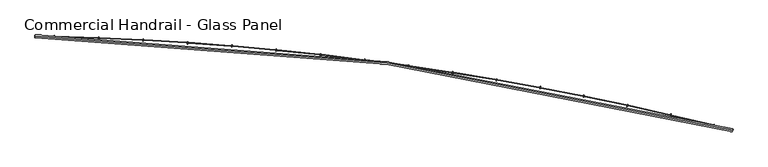
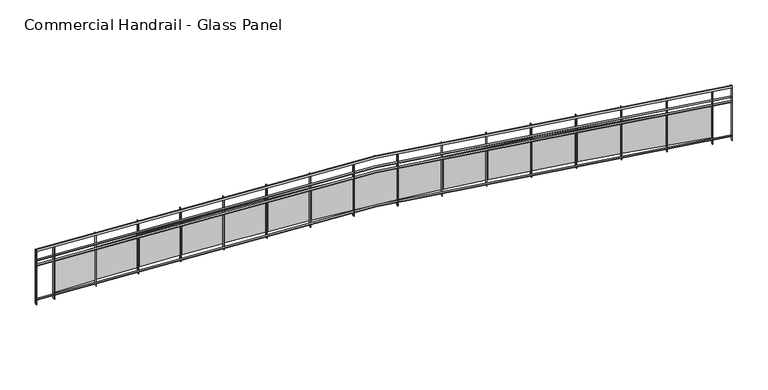
"""IFC4 building model written with IfcOpenShell, lengths in millimetres: railing geometry, Commercial Handrail - Glass Panel."""

from ifc_helpers import new_model, si_unit, point, frame, origin, place, context, project, spatial, polyline, circle_curve, ellipse_curve, trimmed, outline, extrude, source, transform, mapped, element, save
from ifc_brep_helpers import plane_surface, cylinder_surface, revolved_surface, advanced_brep


def commercial_handrail_glass_panel_7a15490f(model_context):
    return source(origin(), model_context, "Body", "SolidModel", [
        advanced_brep(
        [(127651.4463587, -32615.5815285, 16282.5), (140199.431702, -34306.4790783, 16282.5), (140199.431702, -34306.4790783, 16317.5), (127651.4463587, -32615.5815285, 16317.5)],
        [
            (0, 1, circle_curve(frame((126699.3049554, -87085.4645407, 16282.5), z_axis=(0.0, 0.0, -1.0), x_axis=(0.24780785186476648, 0.9688092013158061, 0.0)), 54478.2041611)),
            (1, 2, ellipse_curve(frame((140199.431702, -34306.4790783, 16300.0), z_axis=(-0.9688092013158076, 0.2478078518647603, 0.0), x_axis=(0.2478078518647603, 0.9688092013158076, 0.0)), 25.0, 17.5)),
            (2, 3, circle_curve(frame((126699.3049554, -87085.4645407, 16317.5), z_axis=(0.0, 0.0, 1.0), x_axis=(0.24780785186476648, 0.9688092013158061, 0.0)), 54478.2041611)),
            (3, 0, ellipse_curve(frame((127651.4463587, -32615.5815285, 16300.0), z_axis=(0.9998472572840302, -0.01747747411963002, 0.0), x_axis=(0.01747747411963002, 0.9998472572840302, 0.0)), 25.0, 17.5)),
            (2, 1, ellipse_curve(frame((140199.431702, -34306.4790783, 16300.0), z_axis=(-0.9688092013158076, 0.2478078518647603, 0.0), x_axis=(0.2478078518647603, 0.9688092013158076, 0.0)), 25.0, 17.5)),
            (0, 3, ellipse_curve(frame((127651.4463587, -32615.5815285, 16300.0), z_axis=(0.9998472572840302, -0.01747747411963002, 0.0), x_axis=(0.01747747411963002, 0.9998472572840302, 0.0)), 25.0, 17.5)),
        ],
        [
            revolved_surface(trimmed(ellipse_curve(frame((140199.431702, -34306.4790783, 16300.0), z_axis=(0.9688092013158061, -0.24780785186476648, 0.0), x_axis=(0.0, 0.0, -1.0)), 17.5, 25.0), [point((140199.431702, -34306.4790783, 16317.5))], [point((140199.431702, -34306.4790783, 16282.5))], True, "CARTESIAN"), (126699.3049554, -87085.4645407, 16300.0), (0.0, 0.0, 1.0)),
            revolved_surface(trimmed(ellipse_curve(frame((140199.431702, -34306.4790783, 16300.0), z_axis=(0.9688092013158061, -0.24780785186476648, 0.0), x_axis=(0.0, 0.0, -1.0)), 17.5, 25.0), [point((140199.431702, -34306.4790783, 16282.5))], [point((140199.431702, -34306.4790783, 16317.5))], True, "CARTESIAN"), (126699.3049554, -87085.4645407, 16300.0), (0.0, 0.0, 1.0)),
            plane_surface(frame((140199.431702, -34306.4790783, 16300.0), z_axis=(0.9688092013158061, -0.24780785186476648, 0.0), x_axis=(0.24780785186476648, 0.9688092013158061, 0.0))),
            plane_surface(frame((127651.4463587, -32615.5815285, 16300.0), z_axis=(-0.9998472572840302, 0.01747747411963012, 0.0), x_axis=(0.01747747411963012, 0.9998472572840302, 0.0))),
        ],
        [
            (0, [[1, 2, 3, 4]]),
            (1, [[-3, 5, -1, 6]]),
            (2, [[-2, -5]]),
            (3, [[-6, -4]]),
        ],
    ),
        advanced_brep(
        [(127651.0531155, -32638.0780917, 16100.0), (140193.8560253, -34328.2772853, 16100.0), (140205.0073787, -34284.6808712, 16100.0), (127651.8396019, -32593.0849652, 16100.0), (127651.0531155, -32638.0780917, 16094.0), (140193.8560253, -34328.2772853, 16094.0), (127651.8396019, -32593.0849652, 16094.0), (140205.0073787, -34284.6808712, 16094.0)],
        [
            (0, 1, circle_curve(frame((126699.3049554, -87085.4645407, 16100.0), z_axis=(0.0, 0.0, -1.0), x_axis=(0.24780785186476648, 0.9688092013158061, 0.0)), 54455.7041611)),
            (1, 2),
            (2, 3, circle_curve(frame((126699.3049554, -87085.4645407, 16100.0), z_axis=(0.0, 0.0, 1.0), x_axis=(0.24780785186476648, 0.9688092013158061, 0.0)), 54500.7041611)),
            (3, 0),
            (4, 5, circle_curve(frame((126699.3049554, -87085.4645407, 16094.0), z_axis=(0.0, 0.0, -1.0), x_axis=(0.24780785186476648, 0.9688092013158061, 0.0)), 54455.7041611)),
            (5, 1),
            (0, 4),
            (6, 7, circle_curve(frame((126699.3049554, -87085.4645407, 16094.0), z_axis=(0.0, 0.0, -1.0), x_axis=(0.24780785186476648, 0.9688092013158061, 0.0)), 54500.7041611)),
            (7, 5),
            (4, 6),
            (2, 7),
            (6, 3),
        ],
        [
            plane_surface(frame((126699.3049554, -87085.4645407, 16100.0), z_axis=(0.0, 0.0, 1.0000000000000002), x_axis=(0.24780785186476648, 0.9688092013158061, 0.0))),
            revolved_surface(polyline([(140193.85602534542, -34328.2772852949, 16100.0), (140193.85602534542, -34328.2772852949, 16094.0)]), (126699.3049554, -87085.4645407, 16100.0), (0.0, 0.0, 1.0)),
            plane_surface(frame((126699.3049554, -87085.4645407, 16094.0), z_axis=(0.0, 0.0, -1.0000000000000002), x_axis=(0.24780785186476648, 0.9688092013158061, 0.0))),
            cylinder_surface(frame((126699.3049554, -87085.4645407, 16100.0), z_axis=(0.0, 0.0, 1.0), x_axis=(0.24780785186476648, 0.9688092013158061, 0.0)), 54500.7041611),
            plane_surface(frame((140199.431702, -34306.4790783, 16100.0), z_axis=(0.9688092013158061, -0.24780785186476648, 0.0), x_axis=(0.24780785186476648, 0.9688092013158061, 0.0))),
            plane_surface(frame((127651.4463587, -32615.5815285, 16100.0), z_axis=(-0.9998472572840302, 0.01747747411963012, 0.0), x_axis=(0.01747747411963012, 0.9998472572840302, 0.0))),
        ],
        [
            (0, [[1, 2, 3, 4]]),
            (1, [[5, 6, -1, 7]]),
            (2, [[8, 9, -5, 10]]),
            (3, [[-3, 11, -8, 12]]),
            (4, [[-2, -6, -9, -11]]),
            (5, [[-12, -10, -7, -4]]),
        ],
    ),
        advanced_brep(
        [(127651.0531155, -32638.0780917, 16000.0), (140193.8560253, -34328.2772853, 16000.0), (140205.0073787, -34284.6808712, 16000.0), (127651.8396019, -32593.0849652, 16000.0), (127651.0531155, -32638.0780917, 15994.0), (140193.8560253, -34328.2772853, 15994.0), (127651.8396019, -32593.0849652, 15994.0), (140205.0073787, -34284.6808712, 15994.0)],
        [
            (0, 1, circle_curve(frame((126699.3049554, -87085.4645407, 16000.0), z_axis=(0.0, 0.0, -1.0), x_axis=(0.24780785186476648, 0.9688092013158061, 0.0)), 54455.7041611)),
            (1, 2),
            (2, 3, circle_curve(frame((126699.3049554, -87085.4645407, 16000.0), z_axis=(0.0, 0.0, 1.0), x_axis=(0.24780785186476648, 0.9688092013158061, 0.0)), 54500.7041611)),
            (3, 0),
            (4, 5, circle_curve(frame((126699.3049554, -87085.4645407, 15994.0), z_axis=(0.0, 0.0, -1.0), x_axis=(0.24780785186476648, 0.9688092013158061, 0.0)), 54455.7041611)),
            (5, 1),
            (0, 4),
            (6, 7, circle_curve(frame((126699.3049554, -87085.4645407, 15994.0), z_axis=(0.0, 0.0, -1.0), x_axis=(0.24780785186476648, 0.9688092013158061, 0.0)), 54500.7041611)),
            (7, 5),
            (4, 6),
            (2, 7),
            (6, 3),
        ],
        [
            plane_surface(frame((126699.3049554, -87085.4645407, 16000.0), z_axis=(0.0, 0.0, 1.0000000000000002), x_axis=(0.24780785186476648, 0.9688092013158061, 0.0))),
            revolved_surface(polyline([(140193.85602534542, -34328.2772852949, 16000.0), (140193.85602534542, -34328.2772852949, 15994.0)]), (126699.3049554, -87085.4645407, 16000.0), (0.0, 0.0, 1.0)),
            plane_surface(frame((126699.3049554, -87085.4645407, 15994.0), z_axis=(0.0, 0.0, -1.0000000000000002), x_axis=(0.24780785186476648, 0.9688092013158061, 0.0))),
            cylinder_surface(frame((126699.3049554, -87085.4645407, 16000.0), z_axis=(0.0, 0.0, 1.0), x_axis=(0.24780785186476648, 0.9688092013158061, 0.0)), 54500.7041611),
            plane_surface(frame((140199.431702, -34306.4790783, 16000.0), z_axis=(0.9688092013158061, -0.24780785186476648, 0.0), x_axis=(0.24780785186476648, 0.9688092013158061, 0.0))),
            plane_surface(frame((127651.4463587, -32615.5815285, 16000.0), z_axis=(-0.9998472572840302, 0.01747747411963012, 0.0), x_axis=(0.01747747411963012, 0.9998472572840302, 0.0))),
        ],
        [
            (0, [[1, 2, 3, 4]]),
            (1, [[5, 6, -1, 7]]),
            (2, [[8, 9, -5, 10]]),
            (3, [[-3, 11, -8, 12]]),
            (4, [[-2, -6, -9, -11]]),
            (5, [[-12, -10, -7, -4]]),
        ],
    ),
        advanced_brep(
        [(127651.0531155, -32638.0780917, 15300.0), (140193.8560253, -34328.2772853, 15300.0), (140205.0073787, -34284.6808712, 15300.0), (127651.8396019, -32593.0849652, 15300.0), (127651.0531155, -32638.0780917, 15294.0), (140193.8560253, -34328.2772853, 15294.0), (127651.8396019, -32593.0849652, 15294.0), (140205.0073787, -34284.6808712, 15294.0)],
        [
            (0, 1, circle_curve(frame((126699.3049554, -87085.4645407, 15300.0), z_axis=(0.0, 0.0, -1.0), x_axis=(0.24780785186476648, 0.9688092013158061, 0.0)), 54455.7041611)),
            (1, 2),
            (2, 3, circle_curve(frame((126699.3049554, -87085.4645407, 15300.0), z_axis=(0.0, 0.0, 1.0), x_axis=(0.24780785186476648, 0.9688092013158061, 0.0)), 54500.7041611)),
            (3, 0),
            (4, 5, circle_curve(frame((126699.3049554, -87085.4645407, 15294.0), z_axis=(0.0, 0.0, -1.0), x_axis=(0.24780785186476648, 0.9688092013158061, 0.0)), 54455.7041611)),
            (5, 1),
            (0, 4),
            (6, 7, circle_curve(frame((126699.3049554, -87085.4645407, 15294.0), z_axis=(0.0, 0.0, -1.0), x_axis=(0.24780785186476648, 0.9688092013158061, 0.0)), 54500.7041611)),
            (7, 5),
            (4, 6),
            (2, 7),
            (6, 3),
        ],
        [
            plane_surface(frame((126699.3049554, -87085.4645407, 15300.0), z_axis=(0.0, 0.0, 1.0000000000000002), x_axis=(0.24780785186476648, 0.9688092013158061, 0.0))),
            revolved_surface(polyline([(140193.85602534542, -34328.2772852949, 15300.0), (140193.85602534542, -34328.2772852949, 15294.0)]), (126699.3049554, -87085.4645407, 15300.0), (0.0, 0.0, 1.0)),
            plane_surface(frame((126699.3049554, -87085.4645407, 15294.0), z_axis=(0.0, 0.0, -1.0000000000000002), x_axis=(0.24780785186476648, 0.9688092013158061, 0.0))),
            cylinder_surface(frame((126699.3049554, -87085.4645407, 15300.0), z_axis=(0.0, 0.0, 1.0), x_axis=(0.24780785186476648, 0.9688092013158061, 0.0)), 54500.7041611),
            plane_surface(frame((140199.431702, -34306.4790783, 15300.0), z_axis=(0.9688092013158061, -0.24780785186476648, 0.0), x_axis=(0.24780785186476648, 0.9688092013158061, 0.0))),
            plane_surface(frame((127651.4463587, -32615.5815285, 15300.0), z_axis=(-0.9998472572840302, 0.01747747411963012, 0.0), x_axis=(0.01747747411963012, 0.9998472572840302, 0.0))),
        ],
        [
            (0, [[1, 2, 3, 4]]),
            (1, [[5, 6, -1, 7]]),
            (2, [[8, 9, -5, 10]]),
            (3, [[-3, 11, -8, 12]]),
            (4, [[-2, -6, -9, -11]]),
            (5, [[-12, -10, -7, -4]]),
        ],
    ),
        extrude(outline(polyline([(127999.9429631, -32600.2821162), (127998.871532, -32645.2693592), (127992.873233, -32645.1265018), (127993.944664, -32600.1392587), (127999.9429631, -32600.2821162)])), frame((0.0, 0.0, 15200.0), z_axis=(0.0, 0.0, 1.0), x_axis=(1.0, 0.0, 0.0)), (0.0, 0.0, 1.0), 1082.1192282),
        extrude(outline(polyline([(128775.8848547, -32651.5298851), (128016.2536473, -32627.856511), (128016.6274374, -32615.8623341), (128776.2586449, -32639.5357081), (128775.8848547, -32651.5298851)])), frame((0.0, 0.0, 15320.0), z_axis=(0.0, 0.0, 1.0), x_axis=(1.0, 0.0, 0.0)), (0.0, 0.0, 1.0), 660.0),
        extrude(outline(polyline([(128799.8764477, -32625.2555578), (128798.1445285, -32670.2222172), (128792.1489739, -32669.9912946), (128793.8808931, -32625.0246352), (128799.8764477, -32625.2555578)])), frame((0.0, 0.0, 15200.0), z_axis=(0.0, 0.0, 1.0), x_axis=(1.0, 0.0, 0.0)), (0.0, 0.0, 1.0), 1082.1192282),
        extrude(outline(polyline([(129574.982143, -32687.8919213), (128815.7804641, -32653.0664896), (128816.3303393, -32641.0790947), (129575.5320183, -32675.9045264), (129574.982143, -32687.8919213)])), frame((0.0, 0.0, 15320.0), z_axis=(0.0, 0.0, 1.0), x_axis=(1.0, 0.0, 0.0)), (0.0, 0.0, 1.0), 660.0),
        extrude(outline(polyline([(129599.3569679, -32661.9727253), (129596.964934, -32706.9091045), (129590.9734168, -32706.5901666), (129593.3654507, -32661.6537874), (129599.3569679, -32661.9727253)])), frame((0.0, 0.0, 15200.0), z_axis=(0.0, 0.0, 1.0), x_axis=(1.0, 0.0, 0.0)), (0.0, 0.0, 1.0), 1082.1192282),
        extrude(outline(polyline([(130373.4593242, -32735.9841766), (129614.850887, -32690.014197), (129615.5767288, -32678.0361691), (130374.185166, -32724.0061487), (130373.4593242, -32735.9841766)])), frame((0.0, 0.0, 15320.0), z_axis=(0.0, 0.0, 1.0), x_axis=(1.0, 0.0, 0.0)), (0.0, 0.0, 1.0), 660.0),
        extrude(outline(polyline([(130398.2121248, -32710.4257011), (130395.160492, -32755.3221101), (130389.1743042, -32754.9152257), (130392.2259369, -32710.0188167), (130398.2121248, -32710.4257011)])), frame((0.0, 0.0, 15200.0), z_axis=(0.0, 0.0, 1.0), x_axis=(1.0, 0.0, 0.0)), (0.0, 0.0, 1.0), 1082.1192282),
        extrude(outline(polyline([(131171.1442157, -32795.7962805), (130413.2926055, -32738.6916659), (130414.1942573, -32726.7255879), (131172.0458675, -32783.8302025), (131171.1442157, -32795.7962805)])), frame((0.0, 0.0, 15320.0), z_axis=(0.0, 0.0, 1.0), x_axis=(1.0, 0.0, 0.0)), (0.0, 0.0, 1.0), 660.0),
        extrude(outline(polyline([(131196.2696543, -32770.6040368), (131192.5590808, -32815.4507942), (131186.5795131, -32814.956051), (131190.2900867, -32770.1092937), (131196.2696543, -32770.6040368)])), frame((0.0, 0.0, 15200.0), z_axis=(0.0, 0.0, 1.0), x_axis=(1.0, 0.0, 0.0)), (0.0, 0.0, 1.0), 1082.1192282),
        extrude(outline(polyline([(131967.8648058, -32867.3153352), (131210.9334448, -32799.0883995), (131212.0107122, -32787.1368517), (131968.9420732, -32855.3637874), (131967.8648058, -32867.3153352)])), frame((0.0, 0.0, 15320.0), z_axis=(0.0, 0.0, 1.0), x_axis=(1.0, 0.0, 0.0)), (0.0, 0.0, 1.0), 660.0),
        extrude(outline(polyline([(131993.3574644, -32842.4947558), (131988.9887502, -32887.2821908), (131983.0170922, -32886.6996956), (131987.3858064, -32841.9122605), (131993.3574644, -32842.4947558)])), frame((0.0, 0.0, 15200.0), z_axis=(0.0, 0.0, 1.0), x_axis=(1.0, 0.0, 0.0)), (0.0, 0.0, 1.0), 1082.1192282),
        extrude(outline(polyline([(132763.4492907, -32950.5259183), (132007.6014025, -32871.191374), (132008.8540532, -32859.2569336), (132764.7019414, -32938.591478), (132763.4492907, -32950.5259183)])), frame((0.0, 0.0, 15320.0), z_axis=(0.0, 0.0, 1.0), x_axis=(1.0, 0.0, 0.0)), (0.0, 0.0, 1.0), 660.0),
        extrude(outline(polyline([(132789.3036722, -32926.0823555), (132784.2777594, -32970.8008103), (132778.3152988, -32970.1306886), (132783.3412116, -32925.4122338), (132789.3036722, -32926.0823555)])), frame((0.0, 0.0, 15200.0), z_axis=(0.0, 0.0, 1.0), x_axis=(1.0, 0.0, 0.0)), (0.0, 0.0, 1.0), 1082.1192282),
        extrude(outline(polyline([(133557.7261118, -33045.4100865), (132803.1246864, -32954.9850411), (132804.5524503, -32943.0702817), (133559.1538757, -33033.4953272), (133557.7261118, -33045.4100865)])), frame((0.0, 0.0, 15320.0), z_axis=(0.0, 0.0, 1.0), x_axis=(1.0, 0.0, 0.0)), (0.0, 0.0, 1.0), 660.0),
        extrude(outline(polyline([(133583.9366409, -33021.3488112), (133578.2546133, -33065.9886428), (133572.3026358, -33065.2310391), (133577.9846634, -33020.5912075), (133583.9366409, -33021.3488112)])), frame((0.0, 0.0, 15200.0), z_axis=(0.0, 0.0, 1.0), x_axis=(1.0, 0.0, 0.0)), (0.0, 0.0, 1.0), 1082.1192282),
        extrude(outline(polyline([(134350.5239922, -33151.9473791), (133597.3317509, -33050.4513317), (133598.93432, -33038.5588226), (134352.1265613, -33140.05487), (134350.5239922, -33151.9473791)])), frame((0.0, 0.0, 15320.0), z_axis=(0.0, 0.0, 1.0), x_axis=(1.0, 0.0, 0.0)), (0.0, 0.0, 1.0), 660.0),
        extrude(outline(polyline([(134377.085017, -33128.2735799), (134370.7480998, -33172.8251621), (134364.8078888, -33171.9802398), (134371.144806, -33127.4286576), (134377.085017, -33128.2735799)])), frame((0.0, 0.0, 15200.0), z_axis=(0.0, 0.0, 1.0), x_axis=(1.0, 0.0, 0.0)), (0.0, 0.0, 1.0), 1082.1192282),
        extrude(outline(polyline([(135141.671974, -33270.1148225), (134390.0513341, -33157.5696596), (134391.828363, -33145.7019653), (135143.4490029, -33258.2471282), (135141.671974, -33270.1148225)])), frame((0.0, 0.0, 15320.0), z_axis=(0.0, 0.0, 1.0), x_axis=(1.0, 0.0, 0.0)), (0.0, 0.0, 1.0), 660.0),
        extrude(outline(polyline([(135168.5777669, -33246.8336043), (135161.5873266, -33291.2873302), (135155.6601632, -33290.3552715), (135162.6506034, -33245.9015456), (135168.5777669, -33246.8336043)])), frame((0.0, 0.0, 15200.0), z_axis=(0.0, 0.0, 1.0), x_axis=(1.0, 0.0, 0.0)), (0.0, 0.0, 1.0), 1082.1192282),
        extrude(outline(polyline([(135930.9994552, -33399.8869352), (135181.1124952, -33276.3169259), (135183.0636006, -33264.4766055), (135932.9505607, -33388.0466148), (135930.9994552, -33399.8869352)])), frame((0.0, 0.0, 15320.0), z_axis=(0.0, 0.0, 1.0), x_axis=(1.0, 0.0, 0.0)), (0.0, 0.0, 1.0), 660.0),
        extrude(outline(polyline([(135958.2442142, -33377.0033185), (135950.6017583, -33421.3496021), (135944.6889205, -33420.330608), (135952.3313764, -33375.9843244), (135958.2442142, -33377.0033185)])), frame((0.0, 0.0, 15200.0), z_axis=(0.0, 0.0, 1.0), x_axis=(1.0, 0.0, 0.0)), (0.0, 0.0, 1.0), 1082.1192282),
        extrude(outline(polyline([(136718.3362263, -33541.2357335), (135970.3446508, -33406.6675242), (135972.469412, -33394.8571309), (136720.4609875, -33529.4253402), (136718.3362263, -33541.2357335)])), frame((0.0, 0.0, 15320.0), z_axis=(0.0, 0.0, 1.0), x_axis=(1.0, 0.0, 0.0)), (0.0, 0.0, 1.0), 660.0),
        extrude(outline(polyline([(136745.9140764, -33518.7546527), (136737.6212529, -33562.9839312), (136731.7240157, -33561.8782214), (136740.0168393, -33517.6489429), (136745.9140764, -33518.7546527)])), frame((0.0, 0.0, 15200.0), z_axis=(0.0, 0.0, 1.0), x_axis=(1.0, 0.0, 0.0)), (0.0, 0.0, 1.0), 1082.1192282),
        extrude(outline(polyline([(137503.512507, -33694.1307369), (136757.5776119, -33548.5933458), (136759.8755707, -33536.8154264), (137505.8104658, -33682.3528175), (137503.512507, -33694.1307369)])), frame((0.0, 0.0, 15320.0), z_axis=(0.0, 0.0, 1.0), x_axis=(1.0, 0.0, 0.0)), (0.0, 0.0, 1.0), 660.0),
        extrude(outline(polyline([(137531.4175014, -33672.0570399), (137522.4760984, -33716.1597758), (137516.5957336, -33714.9675887), (137525.5371366, -33670.8648528), (137531.4175014, -33672.0570399)])), frame((0.0, 0.0, 15200.0), z_axis=(0.0, 0.0, 1.0), x_axis=(1.0, 0.0, 0.0)), (0.0, 0.0, 1.0), 1082.1192282),
        extrude(outline(polyline([(138286.358983, -33858.5389754), (137542.6416206, -33702.063786), (137545.1122815, -33690.3208803), (138288.8296439, -33846.7960697), (138286.358983, -33858.5389754)])), frame((0.0, 0.0, 15320.0), z_axis=(0.0, 0.0, 1.0), x_axis=(1.0, 0.0, 0.0)), (0.0, 0.0, 1.0), 660.0),
        extrude(outline(polyline([(138314.5851042, -33836.8774222), (138304.99705, -33880.8441052), (138299.1348256, -33879.5656979), (138308.7228798, -33835.5990149), (138314.5851042, -33836.8774222)])), frame((0.0, 0.0, 15200.0), z_axis=(0.0, 0.0, 1.0), x_axis=(1.0, 0.0, 0.0)), (0.0, 0.0, 1.0), 1082.1192282),
        extrude(outline(polyline([(139066.7068423, -34034.4249963), (138325.3673869, -33867.0457507), (138328.0102171, -33855.3403909), (139069.3496725, -34022.7196365), (139066.7068423, -34034.4249963)])), frame((0.0, 0.0, 15320.0), z_axis=(0.0, 0.0, 1.0), x_axis=(1.0, 0.0, 0.0)), (0.0, 0.0, 1.0), 660.0),
        extrude(outline(polyline([(139095.2480037, -34013.1802579), (139085.0153658, -34057.0014071), (139079.1725459, -34055.6370554), (139089.4051838, -34011.8159061), (139095.2480037, -34013.1802579)])), frame((0.0, 0.0, 15200.0), z_axis=(0.0, 0.0, 1.0), x_axis=(1.0, 0.0, 0.0)), (0.0, 0.0, 1.0), 1082.1192282),
        extrude(outline(polyline([(139844.3878118, -34221.7508718), (139105.5861248, -34043.5036633), (139108.4005544, -34031.8383735), (139847.2022414, -34210.085582), (139844.3878118, -34221.7508718)])), frame((0.0, 0.0, 15320.0), z_axis=(0.0, 0.0, 1.0), x_axis=(1.0, 0.0, 0.0)), (0.0, 0.0, 1.0), 660.0),
        extrude(outline(polyline([(139873.2378588, -34200.9275293), (139862.3628437, -34244.5936952), (139856.5406882, -34243.1436932), (139867.4157033, -34199.4775273), (139873.2378588, -34200.9275293)])), frame((0.0, 0.0, 15200.0), z_axis=(0.0, 0.0, 1.0), x_axis=(1.0, 0.0, 0.0)), (0.0, 0.0, 1.0), 1082.1192282),
        extrude(outline(polyline([(127654.8391437, -32593.1373976), (127654.0526573, -32638.1305242), (127648.0535738, -32638.0256593), (127648.8400601, -32593.0325327), (127654.8391437, -32593.1373976)])), frame((0.0, 0.0, 15200.0), z_axis=(0.0, 0.0, 1.0), x_axis=(1.0, 0.0, 0.0)), (0.0, 0.0, 1.0), 1082.1192282),
        extrude(outline(polyline([(140207.9138063, -34285.4242948), (140196.7624529, -34329.0207088), (140190.9495977, -34327.5338617), (140202.1009511, -34283.9374477), (140207.9138063, -34285.4242948)])), frame((0.0, 0.0, 15200.0), z_axis=(0.0, 0.0, 1.0), x_axis=(1.0, 0.0, 0.0)), (0.0, 0.0, 1.0), 1082.1192282),
    ])


if __name__ == "__main__":
    model = new_model("IFC4")
    model_context = context("Model", 3, world=origin())
    ifc_project = project(units=[si_unit("LENGTHUNIT", "METRE", prefix="MILLI")], contexts=[model_context])
    site = spatial("IfcSite", under=ifc_project)
    building = spatial("IfcBuilding", under=site)
    placement = place(None, origin())
    commercial_handrail_glass_panel_shape = commercial_handrail_glass_panel_7a15490f(model_context)
    element("IfcRailing", 1, ObjectType="Commercial Handrail - Glass Panel", at=placement, inside=building, context=model_context, shape_type="MappedRepresentation", body=[
        mapped(commercial_handrail_glass_panel_shape, transform((0.0, 0.0, 0.0), x_axis=(1.0, 0.0, 0.0), y_axis=(0.0, 1.0, 0.0), z_axis=(0.0, 0.0, 1.0))),
    ])
    save(model, "model.ifc")
